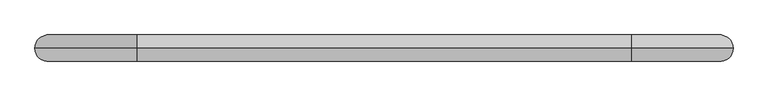
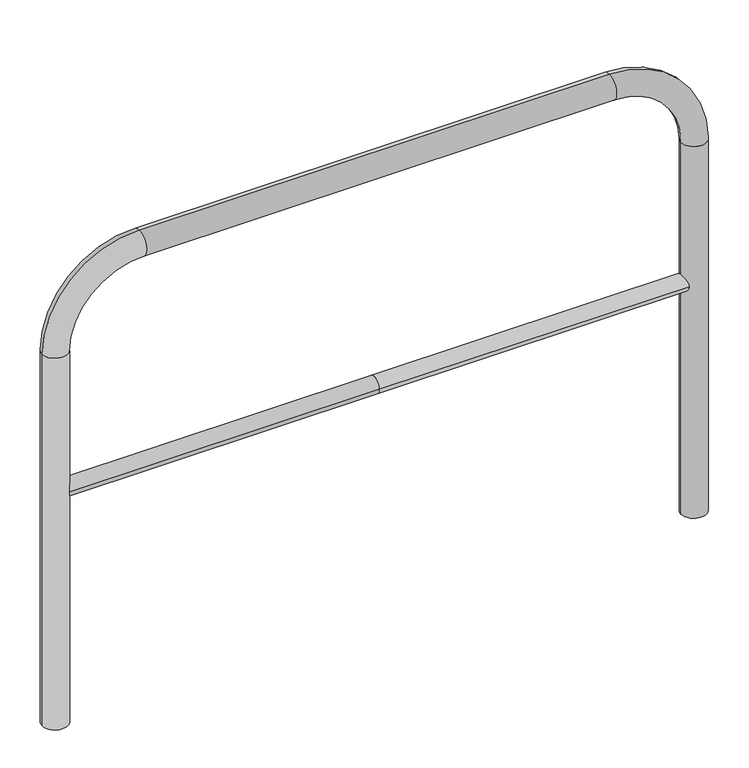
"""IFC4 building model written with IfcOpenShell, lengths in millimetres: proxy geometry."""

from ifc_helpers import new_model, si_unit, point, frame, frame_2d, origin, place, context, project, spatial, circle_curve, ellipse_curve, trimmed, segment, composite_curve, outline, extrude, source, transform, mapped, element, save
from ifc_brep_helpers import plane_surface, cylinder_surface, revolved_surface, advanced_brep


def generic_models_d6114dd9(model_context):
    return source(origin(), model_context, "Body", "SolidModel", [
        extrude(outline(composite_curve([segment(trimmed(circle_curve(frame_2d((0.0, 498.4778375)), 20.0), [point((-20.0, 498.4778375))], [point((20.0, 498.4778375))], False, "CARTESIAN"), True, "CONTINUOUS"), segment(trimmed(circle_curve(frame_2d((0.0, 498.4778375)), 20.0), [point((20.0, 498.4778375))], [point((-20.0, 498.4778375))], False, "CARTESIAN"), True, "CONTINUOUS")], self_intersect=False)), frame((-756.5661754, 0.0, 0.0), z_axis=(1.0, 0.0, 0.0), x_axis=(0.0, 1.0, 0.0)), (0.0, 0.0, 1.0), 756.5661754),
        extrude(outline(composite_curve([segment(trimmed(circle_curve(frame_2d((0.0, 498.4778375)), 20.0), [point((-20.0, 498.4778375))], [point((20.0, 498.4778375))], False, "CARTESIAN"), True, "CONTINUOUS"), segment(trimmed(circle_curve(frame_2d((0.0, 498.4778375)), 20.0), [point((20.0, 498.4778375))], [point((-20.0, 498.4778375))], False, "CARTESIAN"), True, "CONTINUOUS")], self_intersect=False)), frame((0.0, 0.0, 0.0), z_axis=(1.0, 0.0, 0.0), x_axis=(0.0, 1.0, 0.0)), (0.0, 0.0, 1.0), 756.5661754),
        advanced_brep(
        [(-726.5661754, 0.0, -80.0), (-786.5661754, 0.0, -80.0), (-726.5661754, 0.0, 850.0), (-786.5661754, 0.0, 850.0), (-556.5661754, 0.0, 1080.0), (-556.5661754, 0.0, 1020.0), (556.5661754, 0.0, 1020.0), (556.5661754, 0.0, 1080.0), (786.5661754, 0.0, 850.0), (726.5661754, 0.0, 850.0), (726.5661754, 0.0, -80.0), (786.5661754, 0.0, -80.0)],
        [
            (0, 1, circle_curve(frame((-756.5661754, 0.0, -80.0), z_axis=(0.0, 0.0, -1.0), x_axis=(-1.0, 0.0, 0.0)), 30.0)),
            (1, 0, circle_curve(frame((-756.5661754, 0.0, -80.0), z_axis=(0.0, 0.0, -1.0), x_axis=(-1.0, 0.0, 0.0)), 30.0)),
            (0, 2),
            (2, 3, circle_curve(frame((-756.5661754, 0.0, 850.0), z_axis=(0.0, 0.0, -1.0), x_axis=(-1.0, 0.0, 0.0)), 30.0)),
            (3, 1),
            (3, 2, circle_curve(frame((-756.5661754, 0.0, 850.0), z_axis=(0.0, 0.0, -1.0), x_axis=(-1.0, 0.0, 0.0)), 30.0)),
            (4, 3, circle_curve(frame((-556.5661754, 0.0, 850.0), z_axis=(0.0, -1.0, 0.0), x_axis=(-1.0, 0.0, 0.0)), 230.0)),
            (2, 5, circle_curve(frame((-556.5661754, 0.0, 850.0), z_axis=(0.0, 1.0, 0.0), x_axis=(-1.0, 0.0, 0.0)), 170.0)),
            (5, 4, circle_curve(frame((-556.5661754, 0.0, 1050.0), z_axis=(-1.0, 0.0, 0.0), x_axis=(0.0, 0.0, 1.0)), 30.0)),
            (4, 5, circle_curve(frame((-556.5661754, 0.0, 1050.0), z_axis=(-1.0, 0.0, 0.0), x_axis=(0.0, 0.0, 1.0)), 30.0)),
            (5, 6),
            (6, 7, circle_curve(frame((556.5661754, 0.0, 1050.0), z_axis=(-1.0, 0.0, 0.0), x_axis=(0.0, 0.0, 1.0)), 30.0)),
            (7, 4),
            (7, 6, circle_curve(frame((556.5661754, 0.0, 1050.0), z_axis=(-1.0, 0.0, 0.0), x_axis=(0.0, 0.0, 1.0)), 30.0)),
            (8, 7, circle_curve(frame((556.5661754, 0.0, 850.0), z_axis=(0.0, -1.0, 0.0), x_axis=(0.0, 0.0, 1.0)), 230.0)),
            (6, 9, circle_curve(frame((556.5661754, 0.0, 850.0), z_axis=(0.0, 1.0, 0.0), x_axis=(0.0, 0.0, 1.0)), 170.0)),
            (9, 8, circle_curve(frame((756.5661754, 0.0, 850.0), z_axis=(0.0, 0.0, 1.0), x_axis=(1.0, 0.0, 0.0)), 30.0)),
            (8, 9, circle_curve(frame((756.5661754, 0.0, 850.0), z_axis=(0.0, 0.0, 1.0), x_axis=(1.0, 0.0, 0.0)), 30.0)),
            (10, 11, circle_curve(frame((756.5661754, 0.0, -80.0), z_axis=(0.0, 0.0, -1.0), x_axis=(1.0, 0.0, 0.0)), 30.0)),
            (11, 10, circle_curve(frame((756.5661754, 0.0, -80.0), z_axis=(0.0, 0.0, -1.0), x_axis=(1.0, 0.0, 0.0)), 30.0)),
            (9, 10),
            (11, 8),
        ],
        [
            plane_surface(frame((-756.5661754, 0.0, -80.0), z_axis=(0.0, 0.0, -1.0), x_axis=(0.0, -1.0, 0.0))),
            cylinder_surface(frame((-756.5661754, 0.0, -80.0), z_axis=(0.0, 0.0, -1.0), x_axis=(-1.0, 0.0, 0.0)), 30.0),
            revolved_surface(trimmed(ellipse_curve(frame((-756.5661754, 0.0, 850.0), z_axis=(0.0, 0.0, -1.0), x_axis=(-1.0, 0.0, 0.0)), 30.0, 30.0), [point((-726.5661754, 0.0, 850.0))], [point((-786.5661754, 0.0, 850.0))], True, "CARTESIAN"), (-556.5661754, 0.0, 850.0), (0.0, 1.0, 0.0)),
            revolved_surface(trimmed(ellipse_curve(frame((-756.5661754, 0.0, 850.0), z_axis=(0.0, 0.0, -1.0), x_axis=(-1.0, 0.0, 0.0)), 30.0, 30.0), [point((-786.5661754, 0.0, 850.0))], [point((-726.5661754, 0.0, 850.0))], True, "CARTESIAN"), (-556.5661754, 0.0, 850.0), (0.0, 1.0, 0.0)),
            cylinder_surface(frame((-556.5661754, 0.0, 1050.0), z_axis=(-1.0, 0.0, 0.0), x_axis=(0.0, 0.0, 1.0)), 30.0),
            revolved_surface(trimmed(ellipse_curve(frame((556.5661754, 0.0, 1050.0), z_axis=(-1.0, 0.0, 0.0), x_axis=(0.0, 0.0, 1.0)), 30.0, 30.0), [point((556.5661754, 0.0, 1020.0))], [point((556.5661754, 0.0, 1080.0))], True, "CARTESIAN"), (556.5661754, 0.0, 850.0), (0.0, 1.0, 0.0)),
            revolved_surface(trimmed(ellipse_curve(frame((556.5661754, 0.0, 1050.0), z_axis=(-1.0, 0.0, 0.0), x_axis=(0.0, 0.0, 1.0)), 30.0, 30.0), [point((556.5661754, 0.0, 1080.0))], [point((556.5661754, 0.0, 1020.0))], True, "CARTESIAN"), (556.5661754, 0.0, 850.0), (0.0, 1.0, 0.0)),
            plane_surface(frame((756.5661754, 0.0, -80.0), z_axis=(0.0, 0.0, -1.0), x_axis=(0.0, -1.0, 0.0))),
            cylinder_surface(frame((756.5661754, 0.0, 850.0), z_axis=(0.0, 0.0, 1.0), x_axis=(1.0, 0.0, 0.0)), 30.0),
        ],
        [
            (0, [[1, 2]]),
            (1, [[-1, 3, 4, 5]]),
            (1, [[-2, -5, 6, -3]]),
            (2, [[7, -4, 8, 9]]),
            (3, [[-8, -6, -7, 10]]),
            (4, [[-9, 11, 12, 13]]),
            (4, [[-10, -13, 14, -11]]),
            (5, [[15, -12, 16, 17]]),
            (6, [[-16, -14, -15, 18]]),
            (7, [[19, 20]]),
            (8, [[-17, 21, -20, 22]]),
            (8, [[-18, -22, -19, -21]]),
        ],
    ),
    ])


if __name__ == "__main__":
    model = new_model("IFC4")
    model_context = context("Model", 3, world=origin())
    ifc_project = project(units=[si_unit("LENGTHUNIT", "METRE", prefix="MILLI")], contexts=[model_context])
    site = spatial("IfcSite", under=ifc_project)
    building = spatial("IfcBuilding", under=site)
    placement = place(None, origin())
    generic_models_shape = generic_models_d6114dd9(model_context)
    element("IfcBuildingElementProxy", 1, Name="Generic Models", at=placement, inside=building, context=model_context, shape_type="MappedRepresentation", body=[
        mapped(generic_models_shape, transform((0.0, 0.0, 0.0), x_axis=(1.0, 0.0, 0.0), y_axis=(0.0, 1.0, 0.0), z_axis=(0.0, 0.0, 1.0))),
    ])
    save(model, "model.ifc")
